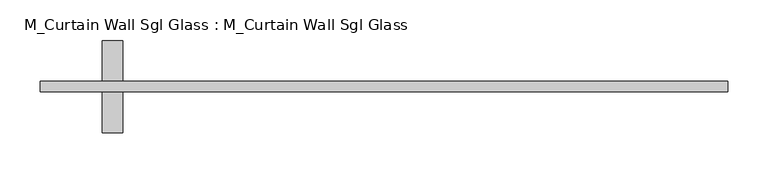
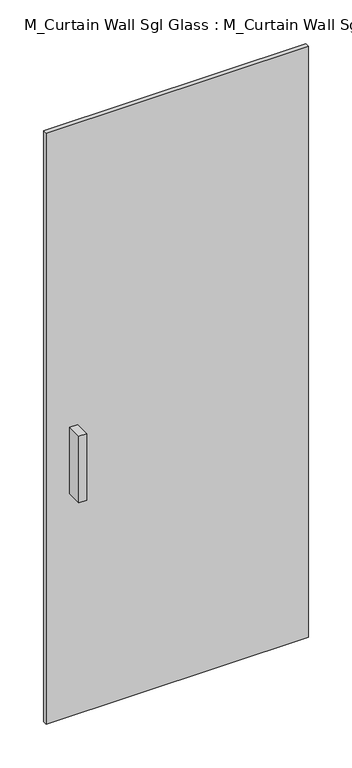
"""IFC4 building model written with IfcOpenShell, lengths in millimetres: plate geometry, M_Curtain Wall Sgl Glass : M_Curtain Wall Sgl Glass."""

import ifcopenshell
import ifcopenshell.guid

model = None  # the IFC model being written
_history = None  # IfcOwnerHistory: only IFC2X3 demands one
_inside = {}  # id of a spatial element -> (the spatial element, [elements in it])
_under = {}  # id of a project, library or spatial element -> (it, [spatial elements below it])
_declared = {}  # id of a project -> (the project, [libraries it declares])
_typed = {}  # id of a type object -> (the type object, [elements of that type])
_made_of = {}  # id of a material, layer set ... -> (it, [elements and type objects made of it])


def new_model(schema):
    """Start an empty IFC model of exactly this schema.

    Asked for "IFC4X3", IfcOpenShell would pick the latest addendum, in which some entities
    have other attributes; the version numbers below select the first issue.
    IFC2X3 requires an IfcOwnerHistory on every rooted entity: one is made here for all.
    """
    global model, _history
    if schema == "IFC4X3":
        model = ifcopenshell.file(schema_version=(4, 3, 0, 0))
    else:
        model = ifcopenshell.file(schema=schema)
    _inside.clear()
    _under.clear()
    _declared.clear()
    _typed.clear()
    _made_of.clear()
    _history = None
    if model.schema == "IFC2X3":
        org = make("IfcOrganization", Name="unknown")
        user = make(
            "IfcPersonAndOrganization",
            ThePerson=make("IfcPerson", FamilyName="unknown"),
            TheOrganization=org,
        )
        app = make(
            "IfcApplication",
            ApplicationDeveloper=org,
            Version="unknown",
            ApplicationFullName="unknown",
            ApplicationIdentifier="unknown",
        )
        _history = make(
            "IfcOwnerHistory",
            OwningUser=user,
            OwningApplication=app,
            ChangeAction="ADDED",
            CreationDate=0,
        )
    return model


def make(cls, **values):
    """One entity of the class cls with the attributes given. An attribute that is None is left unset."""
    return model.create_entity(
        cls, **{name: value for name, value in values.items() if value is not None}
    )


def rooted(cls, **values):
    """An entity with a GlobalId (a new one), such as an element, a storey or a relation."""
    return make(cls, GlobalId=ifcopenshell.guid.new(), OwnerHistory=_history, **values)


def si_unit(unit_type, name, prefix=None):
    """IfcSIUnit, for example si_unit("LENGTHUNIT", "METRE", prefix="MILLI")."""
    return make("IfcSIUnit", UnitType=unit_type, Prefix=prefix, Name=name)


def assignment(units):
    """IfcUnitAssignment: the units of a project."""
    return None if units is None else make("IfcUnitAssignment", Units=units)


def point(xyz):
    """IfcCartesianPoint."""
    return None if xyz is None else make("IfcCartesianPoint", Coordinates=xyz)


def direction(xyz):
    """IfcDirection."""
    return None if xyz is None else make("IfcDirection", DirectionRatios=xyz)


def frame(location, z_axis=None, x_axis=None):
    """IfcAxis2Placement3D, a coordinate frame: its origin and axes. An axis left out is left unset."""
    return make(
        "IfcAxis2Placement3D",
        Location=point(location),
        Axis=direction(z_axis),
        RefDirection=direction(x_axis),
    )


def origin():
    """The frame at (0, 0, 0) with its axes left unset."""
    return frame((0.0, 0.0, 0.0))


def origin_with_axes():
    """The frame at (0, 0, 0) with the z axis (0, 0, 1) and the x axis (1, 0, 0) written out."""
    return frame((0.0, 0.0, 0.0), z_axis=(0.0, 0.0, 1.0), x_axis=(1.0, 0.0, 0.0))


def place(relative_to, where):
    """IfcLocalPlacement: puts the frame where relative to a parent placement (None: the world)."""
    return make(
        "IfcLocalPlacement", PlacementRelTo=relative_to, RelativePlacement=where
    )


def context(
    kind, dimensions, precision=None, world=None, true_north=None, identifier=None
):
    """IfcGeometricRepresentationContext, for example the 3D "Model" context."""
    return make(
        "IfcGeometricRepresentationContext",
        ContextIdentifier=identifier,
        ContextType=kind,
        CoordinateSpaceDimension=dimensions,
        Precision=precision,
        WorldCoordinateSystem=world,
        TrueNorth=true_north,
    )


def project(units=None, contexts=None):
    """IfcProject with its units and contexts."""
    return rooted(
        "IfcProject",
        Name="project",
        RepresentationContexts=contexts,
        UnitsInContext=assignment(units),
    )


def spatial(cls, under=None, at=None, **own):
    """A site, building, storey or space (cls), placed at a placement, below another one or the project."""
    s = rooted(cls, ObjectPlacement=at, **own)
    if under is not None:
        _under.setdefault(under.id(), (under, []))[1].append(s)
    return s


def polyline(points):
    """IfcPolyline through the points."""
    return make("IfcPolyline", Points=[point(p) for p in points])


def outline(outer, holes=None, kind="AREA"):
    """IfcArbitraryClosedProfileDef: a profile drawn as a closed curve; with holes, ...WithVoids."""
    if holes is None:
        return make("IfcArbitraryClosedProfileDef", ProfileType=kind, OuterCurve=outer)
    return make(
        "IfcArbitraryProfileDefWithVoids",
        ProfileType=kind,
        OuterCurve=outer,
        InnerCurves=holes,
    )


def extrude(swept, where, along, depth):
    """IfcExtrudedAreaSolid: the profile swept, set in the frame where, extruded along a direction by depth."""
    return make(
        "IfcExtrudedAreaSolid",
        SweptArea=swept,
        Position=where,
        ExtrudedDirection=direction(along),
        Depth=depth,
    )


def shape(context_of_items, identifier, shape_type, items):
    """IfcShapeRepresentation: the items that make up one representation, for example the "Body"."""
    return make(
        "IfcShapeRepresentation",
        ContextOfItems=context_of_items,
        RepresentationIdentifier=identifier,
        RepresentationType=shape_type,
        Items=items,
    )


def source(mapping_origin, context_of_items, identifier, shape_type, items):
    """IfcRepresentationMap: a shape defined once, which mapped items show again and again."""
    return make(
        "IfcRepresentationMap",
        MappingOrigin=mapping_origin,
        MappedRepresentation=shape(context_of_items, identifier, shape_type, items),
    )


def transform(
    local_origin,
    x_axis=None,
    y_axis=None,
    z_axis=None,
    scale=None,
    scale2=None,
    scale3=None,
    uniform=True,
):
    """IfcCartesianTransformationOperator3D, or its non-uniform kind. x_axis, y_axis, z_axis: its Axis1, 2, 3."""
    if uniform:
        return make(
            "IfcCartesianTransformationOperator3D",
            Axis1=direction(x_axis),
            Axis2=direction(y_axis),
            LocalOrigin=point(local_origin),
            Scale=scale,
            Axis3=direction(z_axis),
        )
    return make(
        "IfcCartesianTransformationOperator3DnonUniform",
        Axis1=direction(x_axis),
        Axis2=direction(y_axis),
        LocalOrigin=point(local_origin),
        Scale=scale,
        Axis3=direction(z_axis),
        Scale2=scale2,
        Scale3=scale3,
    )


def mapped(mapping_source, mapping_target):
    """IfcMappedItem: shows the shape of a source again, moved by a transform."""
    return make(
        "IfcMappedItem", MappingSource=mapping_source, MappingTarget=mapping_target
    )


def made_of(thing, what):
    """Note that an element or type object is made of a material, layer set ...; save() writes the relation."""
    if what is not None:
        _made_of.setdefault(what.id(), (what, []))[1].append(thing)
    return thing


def element(
    cls,
    number,
    at=None,
    inside=None,
    cuts=None,
    type_object=None,
    material=None,
    context=None,
    identifier="Body",
    shape_type=None,
    held_by="IfcProductDefinitionShape",
    body=None,
    shapes=None,
    **own,
):
    """One element of the class cls, such as IfcWall. Its Tag is "e" and its number.

    at: its placement. inside: the storey or other place that contains it. cuts: it is an
    opening in that element (IfcRelVoidsElement). A single representation is given by context,
    identifier, shape_type and body (its items); several are given by shapes. held_by: the class
    of the entity that holds the representations. save() writes the other relations.
    """
    e = rooted(cls, Tag="e%d" % number, ObjectPlacement=at, **own)
    if body is not None:
        shapes = [shape(context, identifier, shape_type, body)]
    if shapes is not None:
        e.Representation = make(held_by, Representations=shapes)
    if inside is not None:
        _inside.setdefault(inside.id(), (inside, []))[1].append(e)
    if cuts is not None:
        rooted(
            "IfcRelVoidsElement", RelatingBuildingElement=cuts, RelatedOpeningElement=e
        )
    if type_object is not None:
        _typed.setdefault(type_object.id(), (type_object, []))[1].append(e)
    return made_of(e, material)


def aggregate(whole, parts):
    """IfcRelAggregates: a whole, such as a stair, and the parts it consists of."""
    return rooted("IfcRelAggregates", RelatingObject=whole, RelatedObjects=parts)


def save(model, path):
    """Write the relations noted so far, then the file.

    IfcRelAggregates (storeys below a building ...), IfcRelContainedInSpatialStructure (elements
    in a storey), IfcRelDefinesByType, IfcRelAssociatesMaterial and IfcRelDeclares: one each for
    every whole, place, type object, material and project.
    """
    for whole, parts in _under.values():
        aggregate(whole, parts)
    for where, things in _inside.values():
        rooted(
            "IfcRelContainedInSpatialStructure",
            RelatedElements=things,
            RelatingStructure=where,
        )
    for kind, things in _typed.values():
        rooted("IfcRelDefinesByType", RelatedObjects=things, RelatingType=kind)
    for what, things in _made_of.values():
        rooted("IfcRelAssociatesMaterial", RelatedObjects=things, RelatingMaterial=what)
    for by, libraries in _declared.values():
        rooted("IfcRelDeclares", RelatingContext=by, RelatedDefinitions=libraries)
    model.write(path)


def m_curtain_wall_sgl_glass_m_curtain_wall_sgl_glass_dcd6d130(model_context):
    return source(origin(), model_context, "Body", "SweptSolid", [
        extrude(outline(polyline([(-323.4, -12.5), (-348.8, -12.5), (-348.8, 38.3), (-323.4, 38.3), (-323.4, -12.5)])), frame((0.0, 0.0, 762.0), z_axis=(0.0, 0.0, 1.0), x_axis=(1.0, 0.0, 0.0)), (0.0, 0.0, 1.0), 228.6),
        extrude(outline(polyline([(-348.8, 101.8), (-323.4, 101.8), (-323.4, 51.0), (-348.8, 51.0), (-348.8, 101.8)])), frame((0.0, 0.0, 762.0), z_axis=(0.0, 0.0, 1.0), x_axis=(1.0, 0.0, 0.0)), (0.0, 0.0, 1.0), 228.6),
        extrude(outline(polyline([(425.0, 51.0), (425.0, 38.3), (-425.0, 38.3), (-425.0, 51.0), (425.0, 51.0)])), origin_with_axes(), (0.0, 0.0, 1.0), 2025.0),
    ])


if __name__ == "__main__":
    model = new_model("IFC4")
    model_context = context("Model", 3, world=origin())
    ifc_project = project(units=[si_unit("LENGTHUNIT", "METRE", prefix="MILLI")], contexts=[model_context])
    site = spatial("IfcSite", under=ifc_project)
    building = spatial("IfcBuilding", under=site)
    placement = place(None, origin())
    m_curtain_wall_sgl_glass_m_curtain_wall_sgl_glass_shape = m_curtain_wall_sgl_glass_m_curtain_wall_sgl_glass_dcd6d130(model_context)
    element("IfcPlate", 1, ObjectType="M_Curtain Wall Sgl Glass : M_Curtain Wall Sgl Glass", at=placement, inside=building, context=model_context, shape_type="MappedRepresentation", body=[
        mapped(m_curtain_wall_sgl_glass_m_curtain_wall_sgl_glass_shape, transform((0.0, 0.0, 0.0), x_axis=(1.0, 0.0, 0.0), y_axis=(0.0, 1.0, 0.0), z_axis=(0.0, 0.0, 1.0))),
    ])
    save(model, "model.ifc")
